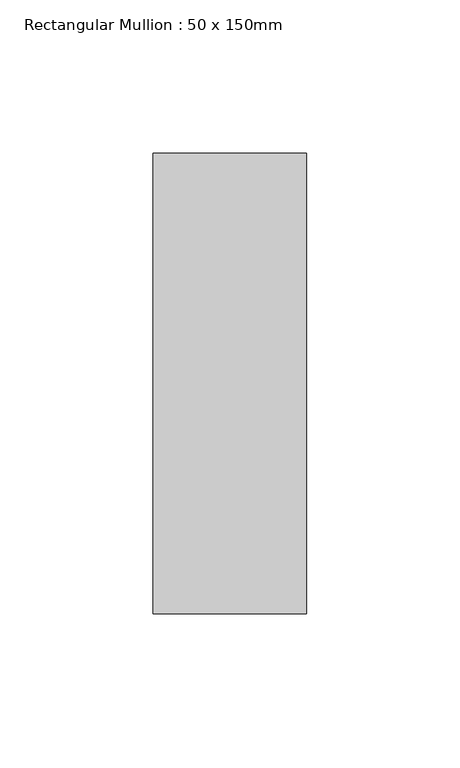
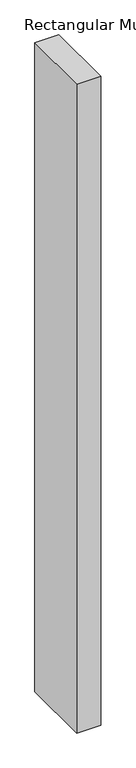
"""IFC4 building model written with IfcOpenShell, lengths in millimetres: member geometry, Rectangular Mullion : 50 x 150mm."""

from ifc_helpers import new_model, si_unit, frame, origin, place, context, project, spatial, polyline, outline, extrude, source, transform, mapped, element, save


def rectangular_mullion_50_x_150mm_2a0b7483(model_context):
    return source(origin(), model_context, "Body", "SweptSolid", [
        extrude(outline(polyline([(0.0, 75.0), (0.0, -75.0), (-50.0, -75.0), (-50.0, 75.0), (0.0, 75.0)])), frame((0.0, 0.0, -1425.0000002), z_axis=(0.0, 0.0, 1.0), x_axis=(1.0, 0.0, 0.0)), (0.0, 0.0, 1.0), 1425.0000002),
    ])


if __name__ == "__main__":
    model = new_model("IFC4")
    model_context = context("Model", 3, world=origin())
    ifc_project = project(units=[si_unit("LENGTHUNIT", "METRE", prefix="MILLI")], contexts=[model_context])
    site = spatial("IfcSite", under=ifc_project)
    building = spatial("IfcBuilding", under=site)
    placement = place(None, origin())
    rectangular_mullion_50_x_150mm_shape = rectangular_mullion_50_x_150mm_2a0b7483(model_context)
    element("IfcMember", 1, ObjectType="Rectangular Mullion : 50 x 150mm", at=placement, inside=building, context=model_context, shape_type="MappedRepresentation", body=[
        mapped(rectangular_mullion_50_x_150mm_shape, transform((0.0, 0.0, 0.0), x_axis=(1.0, 0.0, 0.0), y_axis=(0.0, 1.0, 0.0), z_axis=(0.0, 0.0, 1.0))),
    ])
    save(model, "model.ifc")
